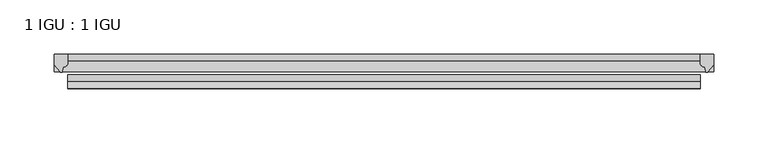
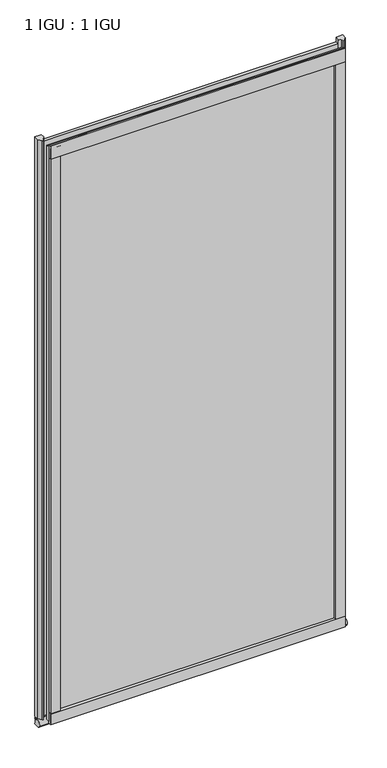
"""IFC4 building model written with IfcOpenShell, lengths in millimetres: plate geometry, 1 IGU : 1 IGU."""

from ifc_helpers import new_model, si_unit, point, frame, frame_2d, origin, place, context, project, spatial, polyline, circle_curve, ellipse_curve, trimmed, segment, composite_curve, outline, extrude, source, transform, mapped, element, save
from ifc_brep_helpers import plane_surface, revolved_surface, extruded_surface, advanced_brep


def plate_1_igu_1_igu_ae9aabcd(model_context):
    return source(origin(), model_context, "Body", "SolidModel", [
        extrude(outline(polyline([(292.1, 0.0021347), (292.1, -6.2992), (-292.1, -6.2992), (-292.1, 0.0021347), (292.1, 0.0021347)])), frame((0.0, 0.0, -19.05), z_axis=(0.0, 0.0, 1.0), x_axis=(1.0, 0.0, 0.0)), (0.0, 0.0, 1.0), 1203.325),
        extrude(outline(polyline([(-292.1, -19.0986653), (292.1, -19.0986653), (292.1, -25.3978653), (-292.1, -25.3978653), (-292.1, -19.0986653)])), frame((0.0, 0.0, -19.05), z_axis=(0.0, 0.0, 1.0), x_axis=(1.0, 0.0, 0.0)), (0.0, 0.0, 1.0), 1203.325),
        advanced_brep(
        [(304.8, -2.9334208, -29.3692082), (304.8, -15.7658436, -30.8313288), (304.8, -6.7904952, -34.925), (304.8, 0.0, -34.925), (304.8, 0.0, -22.225), (304.8, -2.5187477, -22.225), (-304.8, -2.9073519, -29.3720514), (-304.8, -2.5187477, -22.225), (-304.8, 0.0, -22.225), (-304.8, 0.0, -34.925), (-304.8, -6.7904952, -34.925), (-304.8, -15.7658436, -30.8313288)],
        [
            (0, 1, ellipse_curve(frame((304.8, -9.5065066, -28.575), z_axis=(1.0, 0.0, 0.0), x_axis=(0.0, 0.0, -1.0)), 6.9638038, 6.6162554)),
            (1, 2, ellipse_curve(frame((304.8, -9.5065066, -28.575), z_axis=(1.0, 0.0, 0.0), x_axis=(0.0, 0.0, -1.0)), 6.9638038, 6.6162554)),
            (2, 3),
            (3, 4, circle_curve(frame((304.8, 24.1576838, -28.575), z_axis=(-1.0, 0.0, 0.0), x_axis=(0.0, 0.0, 1.0)), 24.9783143)),
            (4, 5),
            (5, 0, circle_curve(frame((304.8, -68.4358767, -22.225), z_axis=(-1.0, 0.0, 0.0), x_axis=(0.0, 0.0, 1.0)), 65.917129)),
            (6, 7, circle_curve(frame((-304.8, -68.4358767, -22.225), z_axis=(1.0, 0.0, 0.0), x_axis=(0.0, 0.0, 1.0)), 65.917129)),
            (7, 8),
            (8, 9, circle_curve(frame((-304.8, 24.1576838, -28.575), z_axis=(1.0, 0.0, 0.0), x_axis=(0.0, 0.0, 1.0)), 24.9783143)),
            (9, 10),
            (10, 11, ellipse_curve(frame((-304.8, -9.5065066, -28.575), z_axis=(-1.0, 0.0, 0.0), x_axis=(0.0, 0.0, -1.0)), 6.9638038, 6.6162554)),
            (11, 6, ellipse_curve(frame((-304.8, -9.5065066, -28.575), z_axis=(-1.0, 0.0, 0.0), x_axis=(0.0, 0.0, -1.0)), 6.9638038, 6.6162554)),
            (0, 6),
            (11, 1),
            (10, 2),
            (9, 3),
            (8, 4),
            (7, 5),
        ],
        [
            plane_surface(frame((304.8, 0.0, -28.575), z_axis=(1.0, 0.0, 0.0), x_axis=(0.0, 1.0, 0.0))),
            plane_surface(frame((-304.8, 0.0, -28.575), z_axis=(-1.0, 0.0, 0.0), x_axis=(0.0, 1.0, 0.0))),
            extruded_surface(trimmed(ellipse_curve(frame((-304.8, -9.5065066, -28.575), z_axis=(1.0, 0.0, 0.0), x_axis=(0.0, 0.0, -1.0)), 6.9638038, 6.6162554), [point((-304.8, -2.9334208, -29.3692082))], [point((-304.8, -15.7658436, -30.8313288))], True, "CARTESIAN"), (609.6, 0.0, 0.0), 609.6),
            extruded_surface(trimmed(ellipse_curve(frame((-304.8, -9.5065066, -28.575), z_axis=(1.0, 0.0, 0.0), x_axis=(0.0, 0.0, -1.0)), 6.9638038, 6.6162554), [point((-304.8, -15.7658436, -30.8313288))], [point((-304.8, -6.7904952, -34.925))], True, "CARTESIAN"), (609.6, 0.0, 0.0), 609.6),
            plane_surface(frame((304.8, -6.7904952, -34.925), z_axis=(0.0, 0.0, -1.0), x_axis=(-1.0, 0.0, 0.0))),
            revolved_surface(polyline([(-304.8, 24.1576838, -3.5966856999999983), (304.8, 24.1576838, -3.5966856999999983)]), (304.8, 24.1576838, -28.575), (-1.0, 0.0, 0.0)),
            plane_surface(frame((304.8, 0.0, -22.225), z_axis=(0.0, 0.0, 1.0), x_axis=(-1.0, 0.0, 0.0))),
            revolved_surface(polyline([(-304.8, -68.4358767, 43.692129), (304.8, -68.4358767, 43.692129)]), (304.8, -68.4358767, -22.225), (-1.0, 0.0, 0.0)),
        ],
        [
            (0, [[1, 2, 3, 4, 5, 6]]),
            (1, [[7, 8, 9, 10, 11, 12]]),
            (2, [[-1, 13, -12, 14]]),
            (3, [[-2, -14, -11, 15]]),
            (4, [[-3, -15, -10, 16]]),
            (5, [[-4, -16, -9, 17]]),
            (6, [[-5, -17, -8, 18]]),
            (7, [[-6, -18, -7, -13]]),
        ],
    ),
        extrude(outline(composite_curve([segment(polyline([(304.8, 0.0), (304.8, -9.7395025), (299.2337691, -16.3730781)]), True, "CONTINUOUS"), segment(trimmed(circle_curve(frame_2d((298.2800941, -15.7728374)), 1.1268473), [point((299.2337691, -16.3730781))], [point((297.1791412, -16.0130197))], False, "CARTESIAN"), True, "CONTINUOUS"), segment(polyline([(297.1791412, -16.0130197), (296.1989498, -11.7377885)]), True, "CONTINUOUS"), segment(trimmed(circle_curve(frame_2d((296.0714979, -7.7683362)), 3.9714979), [point((296.1989498, -11.7377885))], [point((292.1001786, -7.8060014))], False, "CARTESIAN"), True, "CONTINUOUS"), segment(polyline([(292.1001786, -7.8060014), (292.1001786, 0.0), (304.8, 0.0)]), True, "CONTINUOUS")], self_intersect=False)), frame((0.0, 0.0, -19.05), z_axis=(0.0, 0.0, 1.0), x_axis=(1.0, 0.0, 0.0)), (0.0, 0.0, 1.0), 1213.6374),
        extrude(outline(composite_curve([segment(polyline([(-292.1, 8.8e-06), (-292.1, -7.7683362)]), True, "CONTINUOUS"), segment(trimmed(circle_curve(frame_2d((-296.0714979, -7.7683362)), 3.9714979), [point((-292.1, -7.7683362))], [point((-296.1989498, -11.7377885))], False, "CARTESIAN"), True, "CONTINUOUS"), segment(polyline([(-296.1989498, -11.7377885), (-297.1789843, -16.012436)]), True, "CONTINUOUS"), segment(trimmed(circle_curve(frame_2d((-298.2801933, -15.7723555)), 1.1270758), [point((-297.1789843, -16.012436))], [point((-299.2340327, -16.372764))], False, "CARTESIAN"), True, "CONTINUOUS"), segment(polyline([(-299.2340327, -16.372764), (-304.8, -9.7395025), (-304.8, 8.8e-06), (-292.1, 8.8e-06)]), True, "CONTINUOUS")], self_intersect=False)), frame((0.0, 0.0, -19.05), z_axis=(0.0, 0.0, 1.0), x_axis=(1.0, 0.0, 0.0)), (0.0, 0.0, 1.0), 1213.6374),
        extrude(outline(composite_curve([segment(polyline([(-31.75, 0.0), (-25.4, 0.0), (-25.4, -22.225)]), True, "CONTINUOUS"), segment(trimmed(circle_curve(frame_2d((-28.575, -28.9113452)), 7.4018806), [point((-25.4, -22.225))], [point((-31.75, -22.225))], True, "CARTESIAN"), True, "CONTINUOUS"), segment(polyline([(-31.75, -22.225), (-31.75, 0.0)]), True, "CONTINUOUS")], self_intersect=False)), frame((-292.1, 0.0, 0.0), z_axis=(1.0, 0.0, 0.0), x_axis=(0.0, 1.0, 0.0)), (0.0, 0.0, 1.0), 584.2),
        extrude(outline(composite_curve([segment(polyline([(-25.4, 1187.45), (-25.4, 1162.05), (-31.75, 1162.05), (-31.75, 1190.2228973)]), True, "CONTINUOUS"), segment(trimmed(circle_curve(frame_2d((-24.1401272, 1198.9924115)), 11.6109665), [point((-31.75, 1190.2228973))], [point((-25.4, 1187.45))], True, "CARTESIAN"), True, "CONTINUOUS")], self_intersect=False)), frame((-292.1, 0.0, 0.0), z_axis=(1.0, 0.0, 0.0), x_axis=(0.0, 1.0, 0.0)), (0.0, 0.0, 1.0), 584.2),
        extrude(outline(composite_curve([segment(polyline([(273.05, -25.4), (292.1, -25.4)]), True, "CONTINUOUS"), segment(trimmed(circle_curve(frame_2d((301.5661507, -28.575)), 9.9844196), [point((292.1, -25.4))], [point((292.1, -31.75))], True, "CARTESIAN"), True, "CONTINUOUS"), segment(polyline([(292.1, -31.75), (273.05, -31.75), (273.05, -25.4)]), True, "CONTINUOUS")], self_intersect=False)), frame((0.0, 0.0, -19.05), z_axis=(0.0, 0.0, 1.0), x_axis=(1.0, 0.0, 0.0)), (0.0, 0.0, 1.0), 1203.325),
        extrude(outline(composite_curve([segment(trimmed(circle_curve(frame_2d((-301.5661507, -28.575)), 9.9844196), [point((-292.1, -31.75))], [point((-292.1, -25.4))], True, "CARTESIAN"), True, "CONTINUOUS"), segment(polyline([(-292.1, -25.4), (-273.05, -25.4), (-273.05, -31.75), (-292.1, -31.75)]), True, "CONTINUOUS")], self_intersect=False)), frame((0.0, 0.0, -19.05), z_axis=(0.0, 0.0, 1.0), x_axis=(1.0, 0.0, 0.0)), (0.0, 0.0, 1.0), 1203.325),
    ])


if __name__ == "__main__":
    model = new_model("IFC4")
    model_context = context("Model", 3, world=origin())
    ifc_project = project(units=[si_unit("LENGTHUNIT", "METRE", prefix="MILLI")], contexts=[model_context])
    site = spatial("IfcSite", under=ifc_project)
    building = spatial("IfcBuilding", under=site)
    placement = place(None, origin())
    plate_1_igu_1_igu_shape = plate_1_igu_1_igu_ae9aabcd(model_context)
    element("IfcPlate", 1, ObjectType="1 IGU : 1 IGU", at=placement, inside=building, context=model_context, shape_type="MappedRepresentation", body=[
        mapped(plate_1_igu_1_igu_shape, transform((0.0, 0.0, 0.0), x_axis=(1.0, 0.0, 0.0), y_axis=(0.0, 1.0, 0.0), z_axis=(0.0, 0.0, 1.0))),
    ])
    save(model, "model.ifc")
